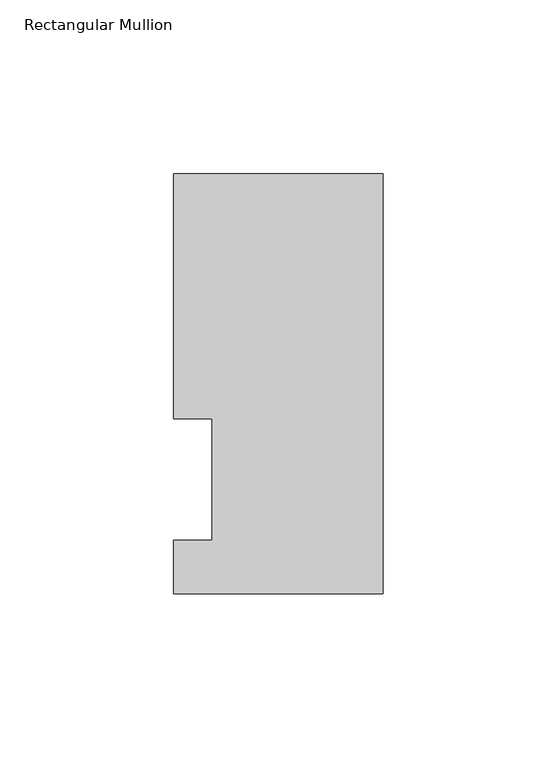
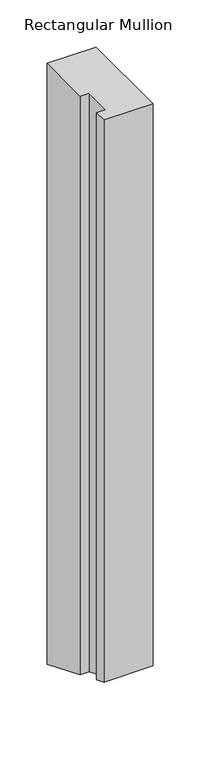
"""IFC4 building model written with IfcOpenShell, lengths in millimetres: member geometry, Rectangular Mullion."""

from ifc_helpers import new_model, si_unit, origin, place, context, project, spatial, faceted_brep, source, transform, mapped, element, save


def rectangular_mullion_4255fc6f(model_context):
    return source(origin(), model_context, "Body", "Brep", [
        faceted_brep([(0.0, -3.3164122, 0.0), (0.0, 117.4859878, 0.0), (-60.3251015, 117.4859878, 0.0), (-60.3251015, 47.0517878, 0.0), (-49.2253015, 47.0517878, 0.0), (-49.2253015, 12.1267878, 0.0), (-60.3251015, 12.1267878, 0.0), (-60.3251015, -3.3164122, 0.0), (0.0, -3.3164122, -728.1941106), (0.0, 117.4859878, -778.2321031), (-60.3251015, 117.4859878, -778.2321031), (-60.3251015, 47.0517878, -749.0573022), (-49.2253015, 47.0517878, -749.0573022), (-49.2253015, 12.1267878, -734.5908935), (-60.3251015, 12.1267878, -734.5908935), (-60.3251015, -3.3164122, -728.1941106)], [[[0, 1, 2, 3, 4, 5, 6, 7]], [[1, 0, 8, 9]], [[2, 1, 9, 10]], [[3, 2, 10, 11]], [[4, 3, 11, 12]], [[5, 4, 12, 13]], [[6, 5, 13, 14]], [[7, 6, 14, 15]], [[0, 7, 15, 8]], [[8, 15, 14, 13, 12, 11, 10, 9]]]),
    ])


if __name__ == "__main__":
    model = new_model("IFC4")
    model_context = context("Model", 3, world=origin())
    ifc_project = project(units=[si_unit("LENGTHUNIT", "METRE", prefix="MILLI")], contexts=[model_context])
    site = spatial("IfcSite", under=ifc_project)
    building = spatial("IfcBuilding", under=site)
    placement = place(None, origin())
    rectangular_mullion_shape = rectangular_mullion_4255fc6f(model_context)
    element("IfcMember", 1, ObjectType="Rectangular Mullion", at=placement, inside=building, context=model_context, shape_type="MappedRepresentation", body=[
        mapped(rectangular_mullion_shape, transform((0.0, 0.0, 0.0), x_axis=(1.0, 0.0, 0.0), y_axis=(0.0, 1.0, 0.0), z_axis=(0.0, 0.0, 1.0))),
    ])
    save(model, "model.ifc")
